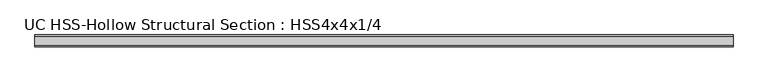
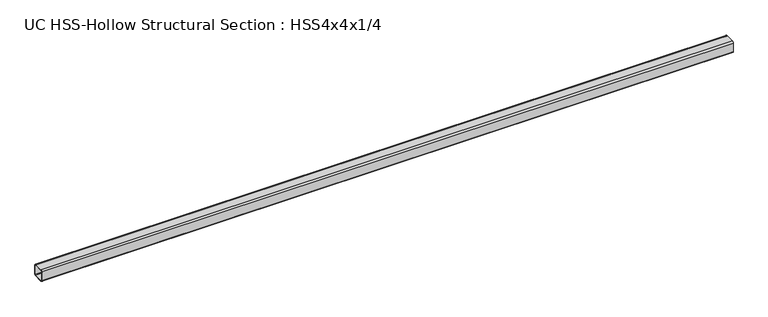
"""IFC4 building model written with IfcOpenShell, lengths in millimetres: member geometry, UC HSS-Hollow Structural Section : HSS4x4x1/4."""

from ifc_helpers import new_model, si_unit, point, frame, frame_2d, origin, place, context, project, spatial, polyline, circle_curve, trimmed, segment, composite_curve, outline, extrude, source, transform, mapped, element, save


def uc_hss_hollow_structural_section_hss4x4x1_4_63670e2e(model_context):
    return source(origin(), model_context, "Body", "SweptSolid", [
        extrude(outline(composite_curve([segment(polyline([(50.8, 38.9636), (50.8, -38.9636)]), True, "CONTINUOUS"), segment(trimmed(circle_curve(frame_2d((38.9636, -38.9636)), 11.8364), [point((50.8, -38.9636))], [point((38.9636, -50.8))], False, "CARTESIAN"), True, "CONTINUOUS"), segment(polyline([(38.9636, -50.8), (-38.9636, -50.8)]), True, "CONTINUOUS"), segment(trimmed(circle_curve(frame_2d((-38.9636, -38.9636)), 11.8364), [point((-38.9636, -50.8))], [point((-50.8, -38.9636))], False, "CARTESIAN"), True, "CONTINUOUS"), segment(polyline([(-50.8, -38.9636), (-50.8, 38.9636)]), True, "CONTINUOUS"), segment(trimmed(circle_curve(frame_2d((-38.9636, 38.9636)), 11.8364), [point((-50.8, 38.9636))], [point((-38.9636, 50.8))], False, "CARTESIAN"), True, "CONTINUOUS"), segment(polyline([(-38.9636, 50.8), (38.9636, 50.8)]), True, "CONTINUOUS"), segment(trimmed(circle_curve(frame_2d((38.9636, 38.9636)), 11.8364), [point((38.9636, 50.8))], [point((50.8, 38.9636))], False, "CARTESIAN"), True, "CONTINUOUS")], self_intersect=False), holes=[composite_curve([segment(trimmed(circle_curve(frame_2d((-38.9636, 38.9636)), 5.9182), [point((-38.9636, 44.8818))], [point((-44.8818, 38.9636))], True, "CARTESIAN"), True, "CONTINUOUS"), segment(polyline([(-44.8818, 38.9636), (-44.8818, -38.9636)]), True, "CONTINUOUS"), segment(trimmed(circle_curve(frame_2d((-38.9636, -38.9636)), 5.9182), [point((-44.8818, -38.9636))], [point((-38.9636, -44.8818))], True, "CARTESIAN"), True, "CONTINUOUS"), segment(polyline([(-38.9636, -44.8818), (38.9636, -44.8818)]), True, "CONTINUOUS"), segment(trimmed(circle_curve(frame_2d((38.9636, -38.9636)), 5.9182), [point((38.9636, -44.8818))], [point((44.8818, -38.9636))], True, "CARTESIAN"), True, "CONTINUOUS"), segment(polyline([(44.8818, -38.9636), (44.8818, 38.9636)]), True, "CONTINUOUS"), segment(trimmed(circle_curve(frame_2d((38.9636, 38.9636)), 5.9182), [point((44.8818, 38.9636))], [point((38.9636, 44.8818))], True, "CARTESIAN"), True, "CONTINUOUS"), segment(polyline([(38.9636, 44.8818), (-38.9636, 44.8818)]), True, "CONTINUOUS")], self_intersect=False)]), frame((-2810.9021529, 0.0, 0.0), z_axis=(1.0, 0.0, 0.0), x_axis=(0.0, 1.0, 0.0)), (0.0, 0.0, 1.0), 5924.9819267),
    ])


if __name__ == "__main__":
    model = new_model("IFC4")
    model_context = context("Model", 3, world=origin())
    ifc_project = project(units=[si_unit("LENGTHUNIT", "METRE", prefix="MILLI")], contexts=[model_context])
    site = spatial("IfcSite", under=ifc_project)
    building = spatial("IfcBuilding", under=site)
    placement = place(None, origin())
    uc_hss_hollow_structural_section_hss4x4x1_4_shape = uc_hss_hollow_structural_section_hss4x4x1_4_63670e2e(model_context)
    element("IfcMember", 1, ObjectType="UC HSS-Hollow Structural Section : HSS4x4x1/4", at=placement, inside=building, context=model_context, shape_type="MappedRepresentation", body=[
        mapped(uc_hss_hollow_structural_section_hss4x4x1_4_shape, transform((0.0, 0.0, 0.0), x_axis=(1.0, 0.0, 0.0), y_axis=(0.0, 1.0, 0.0), z_axis=(0.0, 0.0, 1.0))),
    ])
    save(model, "model.ifc")
